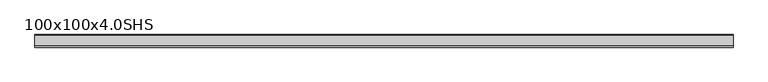
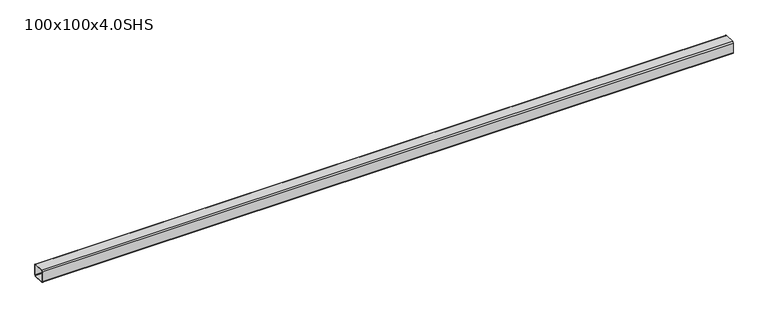
"""IFC4 building model written with IfcOpenShell, lengths in millimetres: beam geometry, 100x100x4.0SHS."""

from ifc_helpers import new_model, si_unit, point, frame, frame_2d, origin, place, context, project, spatial, polyline, circle_curve, trimmed, segment, composite_curve, outline, extrude, source, transform, mapped, element, save


def beam_100x100x4_0shs_699d320f(model_context):
    return source(origin(), model_context, "Body", "SweptSolid", [
        extrude(outline(composite_curve([segment(trimmed(circle_curve(frame_2d((-42.0, 42.0)), 8.0), [point((-50.0, 42.0))], [point((-42.0, 50.0))], False, "CARTESIAN"), True, "CONTINUOUS"), segment(polyline([(-42.0, 50.0), (42.0, 50.0)]), True, "CONTINUOUS"), segment(trimmed(circle_curve(frame_2d((42.0, 42.0)), 8.0), [point((42.0, 50.0))], [point((50.0, 42.0))], False, "CARTESIAN"), True, "CONTINUOUS"), segment(polyline([(50.0, 42.0), (50.0, -42.0)]), True, "CONTINUOUS"), segment(trimmed(circle_curve(frame_2d((42.0, -42.0)), 8.0), [point((50.0, -42.0))], [point((42.0, -50.0))], False, "CARTESIAN"), True, "CONTINUOUS"), segment(polyline([(42.0, -50.0), (-42.0, -50.0)]), True, "CONTINUOUS"), segment(trimmed(circle_curve(frame_2d((-42.0, -42.0)), 8.0), [point((-42.0, -50.0))], [point((-50.0, -42.0))], False, "CARTESIAN"), True, "CONTINUOUS"), segment(polyline([(-50.0, -42.0), (-50.0, 42.0)]), True, "CONTINUOUS")], self_intersect=False), holes=[composite_curve([segment(polyline([(42.0, 46.0), (-42.0, 46.0)]), True, "CONTINUOUS"), segment(trimmed(circle_curve(frame_2d((-42.0, 42.0)), 4.0), [point((-42.0, 46.0))], [point((-46.0, 42.0))], True, "CARTESIAN"), True, "CONTINUOUS"), segment(polyline([(-46.0, 42.0), (-46.0, -42.0)]), True, "CONTINUOUS"), segment(trimmed(circle_curve(frame_2d((-42.0, -42.0)), 4.0), [point((-46.0, -42.0))], [point((-42.0, -46.0))], True, "CARTESIAN"), True, "CONTINUOUS"), segment(polyline([(-42.0, -46.0), (42.0, -46.0)]), True, "CONTINUOUS"), segment(trimmed(circle_curve(frame_2d((42.0, -42.0)), 4.0), [point((42.0, -46.0))], [point((46.0, -42.0))], True, "CARTESIAN"), True, "CONTINUOUS"), segment(polyline([(46.0, -42.0), (46.0, 42.0)]), True, "CONTINUOUS"), segment(trimmed(circle_curve(frame_2d((42.0, 42.0)), 4.0), [point((46.0, 42.0))], [point((42.0, 46.0))], True, "CARTESIAN"), True, "CONTINUOUS")], self_intersect=False)]), frame((-2844.15, 0.0, 0.0), z_axis=(1.0, 0.0, 0.0), x_axis=(0.0, 1.0, 0.0)), (0.0, 0.0, 1.0), 5544.0),
    ])


if __name__ == "__main__":
    model = new_model("IFC4")
    model_context = context("Model", 3, world=origin())
    ifc_project = project(units=[si_unit("LENGTHUNIT", "METRE", prefix="MILLI")], contexts=[model_context])
    site = spatial("IfcSite", under=ifc_project)
    building = spatial("IfcBuilding", under=site)
    placement = place(None, origin())
    beam_100x100x4_0shs_shape = beam_100x100x4_0shs_699d320f(model_context)
    element("IfcBeam", 1, ObjectType="100x100x4.0SHS", at=placement, inside=building, context=model_context, shape_type="MappedRepresentation", body=[
        mapped(beam_100x100x4_0shs_shape, transform((0.0, 0.0, 0.0), x_axis=(1.0, 0.0, 0.0), y_axis=(0.0, 1.0, 0.0), z_axis=(0.0, 0.0, 1.0))),
    ])
    save(model, "model.ifc")
